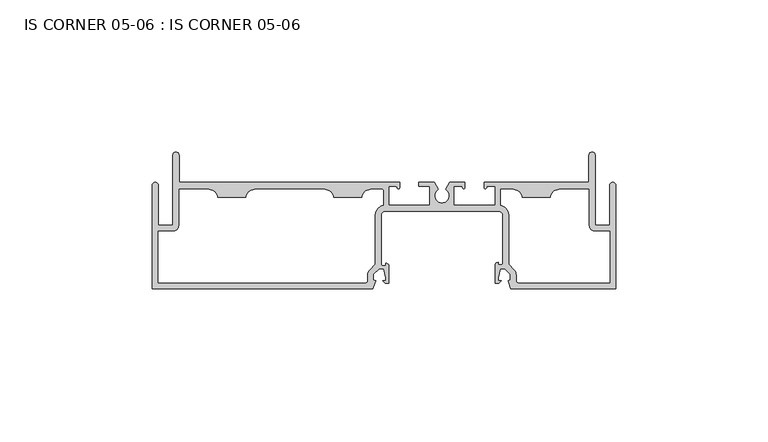
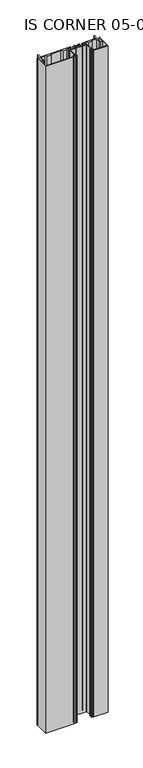
"""IFC4 building model written with IfcOpenShell, lengths in millimetres: plate geometry, IS CORNER 05-06 : IS CORNER 05-06."""

import ifcopenshell
import ifcopenshell.guid

model = None  # the IFC model being written
_history = None  # IfcOwnerHistory: only IFC2X3 demands one
_inside = {}  # id of a spatial element -> (the spatial element, [elements in it])
_under = {}  # id of a project, library or spatial element -> (it, [spatial elements below it])
_declared = {}  # id of a project -> (the project, [libraries it declares])
_typed = {}  # id of a type object -> (the type object, [elements of that type])
_made_of = {}  # id of a material, layer set ... -> (it, [elements and type objects made of it])


def new_model(schema):
    """Start an empty IFC model of exactly this schema.

    Asked for "IFC4X3", IfcOpenShell would pick the latest addendum, in which some entities
    have other attributes; the version numbers below select the first issue.
    IFC2X3 requires an IfcOwnerHistory on every rooted entity: one is made here for all.
    """
    global model, _history
    if schema == "IFC4X3":
        model = ifcopenshell.file(schema_version=(4, 3, 0, 0))
    else:
        model = ifcopenshell.file(schema=schema)
    _inside.clear()
    _under.clear()
    _declared.clear()
    _typed.clear()
    _made_of.clear()
    _history = None
    if model.schema == "IFC2X3":
        org = make("IfcOrganization", Name="unknown")
        user = make(
            "IfcPersonAndOrganization",
            ThePerson=make("IfcPerson", FamilyName="unknown"),
            TheOrganization=org,
        )
        app = make(
            "IfcApplication",
            ApplicationDeveloper=org,
            Version="unknown",
            ApplicationFullName="unknown",
            ApplicationIdentifier="unknown",
        )
        _history = make(
            "IfcOwnerHistory",
            OwningUser=user,
            OwningApplication=app,
            ChangeAction="ADDED",
            CreationDate=0,
        )
    return model


def make(cls, **values):
    """One entity of the class cls with the attributes given. An attribute that is None is left unset."""
    return model.create_entity(
        cls, **{name: value for name, value in values.items() if value is not None}
    )


def rooted(cls, **values):
    """An entity with a GlobalId (a new one), such as an element, a storey or a relation."""
    return make(cls, GlobalId=ifcopenshell.guid.new(), OwnerHistory=_history, **values)


def si_unit(unit_type, name, prefix=None):
    """IfcSIUnit, for example si_unit("LENGTHUNIT", "METRE", prefix="MILLI")."""
    return make("IfcSIUnit", UnitType=unit_type, Prefix=prefix, Name=name)


def assignment(units):
    """IfcUnitAssignment: the units of a project."""
    return None if units is None else make("IfcUnitAssignment", Units=units)


def point(xyz):
    """IfcCartesianPoint."""
    return None if xyz is None else make("IfcCartesianPoint", Coordinates=xyz)


def direction(xyz):
    """IfcDirection."""
    return None if xyz is None else make("IfcDirection", DirectionRatios=xyz)


def frame(location, z_axis=None, x_axis=None):
    """IfcAxis2Placement3D, a coordinate frame: its origin and axes. An axis left out is left unset."""
    return make(
        "IfcAxis2Placement3D",
        Location=point(location),
        Axis=direction(z_axis),
        RefDirection=direction(x_axis),
    )


def origin():
    """The frame at (0, 0, 0) with its axes left unset."""
    return frame((0.0, 0.0, 0.0))


def place(relative_to, where):
    """IfcLocalPlacement: puts the frame where relative to a parent placement (None: the world)."""
    return make(
        "IfcLocalPlacement", PlacementRelTo=relative_to, RelativePlacement=where
    )


def context(
    kind, dimensions, precision=None, world=None, true_north=None, identifier=None
):
    """IfcGeometricRepresentationContext, for example the 3D "Model" context."""
    return make(
        "IfcGeometricRepresentationContext",
        ContextIdentifier=identifier,
        ContextType=kind,
        CoordinateSpaceDimension=dimensions,
        Precision=precision,
        WorldCoordinateSystem=world,
        TrueNorth=true_north,
    )


def project(units=None, contexts=None):
    """IfcProject with its units and contexts."""
    return rooted(
        "IfcProject",
        Name="project",
        RepresentationContexts=contexts,
        UnitsInContext=assignment(units),
    )


def spatial(cls, under=None, at=None, **own):
    """A site, building, storey or space (cls), placed at a placement, below another one or the project."""
    s = rooted(cls, ObjectPlacement=at, **own)
    if under is not None:
        _under.setdefault(under.id(), (under, []))[1].append(s)
    return s


def polyline(points):
    """IfcPolyline through the points."""
    return make("IfcPolyline", Points=[point(p) for p in points])


def circle_curve(where, radius):
    """IfcCircle in the frame where."""
    return make("IfcCircle", Position=where, Radius=radius)


def shape(context_of_items, identifier, shape_type, items):
    """IfcShapeRepresentation: the items that make up one representation, for example the "Body"."""
    return make(
        "IfcShapeRepresentation",
        ContextOfItems=context_of_items,
        RepresentationIdentifier=identifier,
        RepresentationType=shape_type,
        Items=items,
    )


def source(mapping_origin, context_of_items, identifier, shape_type, items):
    """IfcRepresentationMap: a shape defined once, which mapped items show again and again."""
    return make(
        "IfcRepresentationMap",
        MappingOrigin=mapping_origin,
        MappedRepresentation=shape(context_of_items, identifier, shape_type, items),
    )


def transform(
    local_origin,
    x_axis=None,
    y_axis=None,
    z_axis=None,
    scale=None,
    scale2=None,
    scale3=None,
    uniform=True,
):
    """IfcCartesianTransformationOperator3D, or its non-uniform kind. x_axis, y_axis, z_axis: its Axis1, 2, 3."""
    if uniform:
        return make(
            "IfcCartesianTransformationOperator3D",
            Axis1=direction(x_axis),
            Axis2=direction(y_axis),
            LocalOrigin=point(local_origin),
            Scale=scale,
            Axis3=direction(z_axis),
        )
    return make(
        "IfcCartesianTransformationOperator3DnonUniform",
        Axis1=direction(x_axis),
        Axis2=direction(y_axis),
        LocalOrigin=point(local_origin),
        Scale=scale,
        Axis3=direction(z_axis),
        Scale2=scale2,
        Scale3=scale3,
    )


def mapped(mapping_source, mapping_target):
    """IfcMappedItem: shows the shape of a source again, moved by a transform."""
    return make(
        "IfcMappedItem", MappingSource=mapping_source, MappingTarget=mapping_target
    )


def made_of(thing, what):
    """Note that an element or type object is made of a material, layer set ...; save() writes the relation."""
    if what is not None:
        _made_of.setdefault(what.id(), (what, []))[1].append(thing)
    return thing


def element(
    cls,
    number,
    at=None,
    inside=None,
    cuts=None,
    type_object=None,
    material=None,
    context=None,
    identifier="Body",
    shape_type=None,
    held_by="IfcProductDefinitionShape",
    body=None,
    shapes=None,
    **own,
):
    """One element of the class cls, such as IfcWall. Its Tag is "e" and its number.

    at: its placement. inside: the storey or other place that contains it. cuts: it is an
    opening in that element (IfcRelVoidsElement). A single representation is given by context,
    identifier, shape_type and body (its items); several are given by shapes. held_by: the class
    of the entity that holds the representations. save() writes the other relations.
    """
    e = rooted(cls, Tag="e%d" % number, ObjectPlacement=at, **own)
    if body is not None:
        shapes = [shape(context, identifier, shape_type, body)]
    if shapes is not None:
        e.Representation = make(held_by, Representations=shapes)
    if inside is not None:
        _inside.setdefault(inside.id(), (inside, []))[1].append(e)
    if cuts is not None:
        rooted(
            "IfcRelVoidsElement", RelatingBuildingElement=cuts, RelatedOpeningElement=e
        )
    if type_object is not None:
        _typed.setdefault(type_object.id(), (type_object, []))[1].append(e)
    return made_of(e, material)


def aggregate(whole, parts):
    """IfcRelAggregates: a whole, such as a stair, and the parts it consists of."""
    return rooted("IfcRelAggregates", RelatingObject=whole, RelatedObjects=parts)


def save(model, path):
    """Write the relations noted so far, then the file.

    IfcRelAggregates (storeys below a building ...), IfcRelContainedInSpatialStructure (elements
    in a storey), IfcRelDefinesByType, IfcRelAssociatesMaterial and IfcRelDeclares: one each for
    every whole, place, type object, material and project.
    """
    for whole, parts in _under.values():
        aggregate(whole, parts)
    for where, things in _inside.values():
        rooted(
            "IfcRelContainedInSpatialStructure",
            RelatedElements=things,
            RelatingStructure=where,
        )
    for kind, things in _typed.values():
        rooted("IfcRelDefinesByType", RelatedObjects=things, RelatingType=kind)
    for what, things in _made_of.values():
        rooted("IfcRelAssociatesMaterial", RelatedObjects=things, RelatingMaterial=what)
    for by, libraries in _declared.values():
        rooted("IfcRelDeclares", RelatingContext=by, RelatedDefinitions=libraries)
    model.write(path)


def plane_surface(at):
    """IfcPlane: the flat surface through the origin of the frame at, square to its z axis."""
    return make("IfcPlane", Position=at)


def cylinder_surface(at, radius):
    """IfcCylindricalSurface: all points at the distance radius from the z axis of the frame at."""
    return make("IfcCylindricalSurface", Position=at, Radius=radius)


def revolved_surface(curve, axis_point, axis_direction):
    """IfcSurfaceOfRevolution: the curve turned about the line through axis_point along axis_direction."""
    return make(
        "IfcSurfaceOfRevolution",
        SweptCurve=make("IfcArbitraryOpenProfileDef", ProfileType="CURVE", Curve=curve),
        AxisPosition=make("IfcAxis1Placement", Location=point(axis_point), Axis=direction(axis_direction)),
    )


def extruded_surface(curve, direction_of_extrusion, depth):
    """IfcSurfaceOfLinearExtrusion: the curve pushed along a direction by depth."""
    return make(
        "IfcSurfaceOfLinearExtrusion",
        SweptCurve=make("IfcArbitraryOpenProfileDef", ProfileType="CURVE", Curve=curve),
        ExtrudedDirection=direction(direction_of_extrusion),
        Depth=depth,
    )


def spline_curve(degree, points, multiplicities, knots, weights=None):
    """IfcBSplineCurveWithKnots; with weights, IfcRationalBSplineCurveWithKnots."""
    own = dict(
        Degree=degree,
        ControlPointsList=[point(p) for p in points],
        CurveForm="UNSPECIFIED",
        ClosedCurve=False,
        SelfIntersect=False,
        KnotMultiplicities=multiplicities,
        Knots=knots,
        KnotSpec="UNSPECIFIED",
    )
    if weights is None:
        return make("IfcBSplineCurveWithKnots", **own)
    return make("IfcRationalBSplineCurveWithKnots", WeightsData=weights, **own)


def advanced_brep(points, edges, surfaces, faces):
    """IfcAdvancedBrep: a solid bounded by faces that lie on surfaces and meet in shared edges.

    An edge is (start, end): straight between two places in points (the first is 0);
    or (start, end, curve); or (start, end, curve, False) where it runs against its curve.
    A face is (place in surfaces, loops), or (place, loops, False) where it looks against
    its surface's normal. A loop lists edges by number (the first is 1), with a minus sign
    where the edge is run from its end to its start. The first loop is the outer one.
    """
    corners = [point(p) for p in points]
    vertices = [make("IfcVertexPoint", VertexGeometry=c) for c in corners]
    made = []
    for start, end, *more in edges:
        made.append(
            make(
                "IfcEdgeCurve",
                EdgeStart=vertices[start],
                EdgeEnd=vertices[end],
                EdgeGeometry=more[0] if more else make("IfcPolyline", Points=[corners[start], corners[end]]),
                SameSense=more[1] if len(more) > 1 else True,
            )
        )
    hull = []
    for where, loops, *sense in faces:
        bounds = []
        for j, loop in enumerate(loops):
            ring = [make("IfcOrientedEdge", EdgeElement=made[abs(k) - 1], Orientation=k > 0) for k in loop]
            bounds.append(
                make(
                    "IfcFaceOuterBound" if j == 0 else "IfcFaceBound",
                    Bound=make("IfcEdgeLoop", EdgeList=ring),
                    Orientation=True,
                )
            )
        hull.append(make("IfcAdvancedFace", Bounds=bounds, FaceSurface=surfaces[where], SameSense=sense[0] if sense else True))
    return make("IfcAdvancedBrep", Outer=make("IfcClosedShell", CfsFaces=hull))


def is_corner_05_06_is_corner_05_06_40ac7b21(model_context):
    return source(origin(), model_context, "Body", "AdvancedBrep", [
        advanced_brep(
        [(-311.15, -48.6387354, 1710.2666667), (-311.15, -82.5477354, 1710.2666667), (-238.5816997, -82.5477354, 1710.2666667), (-237.66653, -79.9442354, 1710.2666667), (-238.40313, -79.6853093, 1710.2666667), (-238.40313, -77.8598754, 1710.2666667), (-236.52353, -75.9818354, 1710.2666667), (-235.0494761, -75.9818354, 1710.2666667), (-234.3912, -78.9790354, 1710.2666667), (-234.3912, -79.9442354, 1710.2666667), (-235.334082, -79.9442354, 1710.2666667), (-234.5201094, -80.758208, 1710.2666667), (-233.3752, -80.758208, 1710.2666667), (-233.3752, -75.1183624, 1710.2666667), (-234.340527, -74.1530354, 1710.2666667), (-234.340527, -75.0094916, 1710.2666667), (-235.280327, -75.0094916, 1710.2666667), (-235.915327, -74.3744916, 1710.2666667), (-235.915327, -58.4177354, 1710.2666667), (-234.645327, -57.1477354, 1710.2666667), (-197.154673, -57.1477354, 1710.2666667), (-195.884673, -58.4177354, 1710.2666667), (-195.884673, -74.0768354, 1710.2666667), (-196.519673, -74.7118354, 1710.2666667), (-197.459473, -74.7118354, 1710.2666667), (-197.459473, -73.9297932, 1710.2666667), (-198.4248, -74.8951202, 1710.2666667), (-198.4248, -80.758208, 1710.2666667), (-197.2798906, -80.758208, 1710.2666667), (-196.465918, -79.9442354, 1710.2666667), (-197.4088, -79.9442354, 1710.2666667), (-197.4088, -78.9790354, 1710.2666667), (-196.7505239, -75.9818354, 1710.2666667), (-195.27647, -75.9818354, 1710.2666667), (-193.39687, -77.8598754, 1710.2666667), (-193.39687, -79.6853093, 1710.2666667), (-194.13347, -79.9442354, 1710.2666667), (-193.2183003, -82.5477354, 1710.2666667), (-158.75, -82.5477354, 1710.2666667), (-158.75, -48.6387354, 1710.2666667), (-160.782, -48.6387354, 1710.2666667), (-160.782, -61.6689354, 1710.2666667), (-165.5572, -61.6689354, 1710.2666667), (-165.5572, -38.6819354, 1710.2666667), (-167.5892, -38.6819354, 1710.2666667), (-167.5892, -47.6227354, 1710.2666667), (-202.0150943, -47.6227354, 1710.2666667), (-202.0150943, -49.2864354, 1710.2666667), (-201.0389561, -48.8927354, 1710.2666667), (-198.4375635, -48.8927354, 1710.2666667), (-198.4375635, -55.1157354, 1710.2666667), (-211.9503635, -55.1157354, 1710.2666667), (-211.9503635, -48.8927354, 1710.2666667), (-209.3451016, -48.8927354, 1710.2666667), (-208.3689635, -49.2864354, 1710.2666667), (-208.3689635, -47.6227354, 1710.2666667), (-213.3831033, -47.6227354, 1710.2666667), (-214.7062635, -49.9145161, 1710.2666667), (-217.1192635, -49.9145161, 1710.2666667), (-218.4424237, -47.6227354, 1710.2666667), (-223.4565635, -47.6227354, 1710.2666667), (-223.4565635, -48.8927354, 1710.2666667), (-219.8751635, -48.8927354, 1710.2666667), (-219.8751635, -55.1157354, 1710.2666667), (-233.3879635, -55.1157354, 1710.2666667), (-233.3879635, -48.8927354, 1710.2666667), (-231.2613166, -48.8927354, 1710.2666667), (-230.5939635, -49.2864354, 1710.2666667), (-229.8065635, -49.2864354, 1710.2666667), (-229.8065635, -47.6227354, 1710.2666667), (-301.8028, -47.6227354, 1710.2666667), (-302.3108, -47.1147354, 1710.2666667), (-302.3108, -38.6819354, 1710.2666667), (-304.3428, -38.6819354, 1710.2666667), (-304.3428, -61.6689354, 1710.2666667), (-309.118, -61.6689354, 1710.2666667), (-309.118, -48.6387354, 1710.2666667), (-302.3108, -49.9087354, 1710.2666667), (-292.5445, -49.9087354, 1710.2666667), (-289.7505, -52.7027354, 1710.2666667), (-280.2255, -52.7027354, 1710.2666667), (-277.4315, -49.9087354, 1710.2666667), (-254.4318, -49.9087354, 1710.2666667), (-251.6378, -52.7027354, 1710.2666667), (-242.1128, -52.7027354, 1710.2666667), (-239.3188, -49.9087354, 1710.2666667), (-235.6740905, -49.9087354, 1710.2666667), (-235.1660905, -50.4167354, 1710.2666667), (-235.1660905, -55.1570591, 1710.2666667), (-237.947327, -58.4177354, 1710.2666667), (-237.947327, -74.531961, 1710.2666667), (-239.6532007, -76.2364189, 1710.2666667), (-240.43513, -78.1230554, 1710.2666667), (-240.43513, -80.0077354, 1710.2666667), (-240.94313, -80.5157354, 1710.2666667), (-309.118, -80.5157354, 1710.2666667), (-309.118, -63.7009354, 1710.2666667), (-304.3428, -63.7009354, 1710.2666667), (-302.3108, -61.6689354, 1710.2666667), (-191.36487, -78.1230554, 1710.2666667), (-192.1467993, -76.2364189, 1710.2666667), (-193.852673, -74.531961, 1710.2666667), (-193.852673, -58.4177354, 1710.2666667), (-196.6594365, -55.1530846, 1710.2666667), (-196.6594365, -49.9087354, 1710.2666667), (-192.4812, -49.9087354, 1710.2666667), (-189.6872, -52.7027354, 1710.2666667), (-180.1622, -52.7027354, 1710.2666667), (-177.3682, -49.9087354, 1710.2666667), (-167.5892, -49.9087354, 1710.2666667), (-167.5892, -61.6689354, 1710.2666667), (-165.5572, -63.7009354, 1710.2666667), (-160.782, -63.7009354, 1710.2666667), (-160.782, -80.5157354, 1710.2666667), (-190.85687, -80.5157354, 1710.2666667), (-191.36487, -80.0077354, 1710.2666667), (-311.15, -48.6387354, 0.0), (-309.118, -48.6387354, 0.0), (-309.118, -61.6689354, 0.0), (-304.3428, -61.6689354, 0.0), (-304.3428, -38.6819354, 0.0), (-302.3108, -38.6819354, 0.0), (-302.3108, -47.1147354, 0.0), (-301.8028, -47.6227354, 0.0), (-229.8065635, -47.6227354, 0.0), (-229.8065635, -49.2864354, 0.0), (-230.5939635, -49.2864354, 0.0), (-231.2613166, -48.8927354, 0.0), (-233.3879635, -48.8927354, 0.0), (-233.3879635, -55.1157354, 0.0), (-219.8751635, -55.1157354, 0.0), (-219.8751635, -48.8927354, 0.0), (-223.4565635, -48.8927354, 0.0), (-223.4565635, -47.6227354, 0.0), (-218.4424237, -47.6227354, 0.0), (-217.1192635, -49.9145161, 0.0), (-214.7062635, -49.9145161, 0.0), (-213.3831033, -47.6227354, 0.0), (-208.3689635, -47.6227354, 0.0), (-208.3689635, -49.2864354, 0.0), (-209.3451016, -48.8927354, 0.0), (-211.9503635, -48.8927354, 0.0), (-211.9503635, -55.1157354, 0.0), (-198.4375635, -55.1157354, 0.0), (-198.4375635, -48.8927354, 0.0), (-201.0389561, -48.8927354, 0.0), (-202.0150943, -49.2864354, 0.0), (-202.0150943, -47.6227354, 0.0), (-167.5892, -47.6227354, 0.0), (-167.5892, -38.6819354, 0.0), (-165.5572, -38.6819354, 0.0), (-165.5572, -61.6689354, 0.0), (-160.782, -61.6689354, 0.0), (-160.782, -48.6387354, 0.0), (-158.75, -48.6387354, 0.0), (-158.75, -82.5477354, 0.0), (-193.2183003, -82.5477354, 0.0), (-194.13347, -79.9442354, 0.0), (-193.39687, -79.6853093, 0.0), (-193.39687, -77.8598754, 0.0), (-195.27647, -75.9818354, 0.0), (-196.7505239, -75.9818354, 0.0), (-197.4088, -78.9790354, 0.0), (-197.4088, -79.9442354, 0.0), (-196.465918, -79.9442354, 0.0), (-197.2798906, -80.758208, 0.0), (-198.4248, -80.758208, 0.0), (-198.4248, -74.8951202, 0.0), (-197.459473, -73.9297932, 0.0), (-197.459473, -74.7118354, 0.0), (-196.519673, -74.7118354, 0.0), (-195.884673, -74.0768354, 0.0), (-195.884673, -58.4177354, 0.0), (-197.154673, -57.1477354, 0.0), (-234.645327, -57.1477354, 0.0), (-235.915327, -58.4177354, 0.0), (-235.915327, -74.3744916, 0.0), (-235.280327, -75.0094916, 0.0), (-234.340527, -75.0094916, 0.0), (-234.340527, -74.1530354, 0.0), (-233.3752, -75.1183624, 0.0), (-233.3752, -80.758208, 0.0), (-234.5201094, -80.758208, 0.0), (-235.334082, -79.9442354, 0.0), (-234.3912, -79.9442354, 0.0), (-234.3912, -78.9790354, 0.0), (-235.0494761, -75.9818354, 0.0), (-236.52353, -75.9818354, 0.0), (-238.40313, -77.8598754, 0.0), (-238.40313, -79.6853093, 0.0), (-237.66653, -79.9442354, 0.0), (-238.5816997, -82.5477354, 0.0), (-311.15, -82.5477354, 0.0), (-302.3108, -49.9087354, 0.0), (-302.3108, -61.6689354, 0.0), (-304.3428, -63.7009354, 0.0), (-309.118, -63.7009354, 0.0), (-309.118, -80.5157354, 0.0), (-240.94313, -80.5157354, 0.0), (-240.43513, -80.0077354, 0.0), (-240.43513, -78.1230554, 0.0), (-239.6532007, -76.2364189, 0.0), (-237.947327, -74.531961, 0.0), (-237.947327, -58.4177354, 0.0), (-235.1660905, -55.1570591, 0.0), (-235.1660905, -50.4167354, 0.0), (-235.6740905, -49.9087354, 0.0), (-239.3188, -49.9087354, 0.0), (-242.1128, -52.7027354, 0.0), (-251.6378, -52.7027354, 0.0), (-254.4318, -49.9087354, 0.0), (-277.4315, -49.9087354, 0.0), (-280.2255, -52.7027354, 0.0), (-289.7505, -52.7027354, 0.0), (-292.5445, -49.9087354, 0.0), (-191.36487, -78.1230554, 0.0), (-191.36487, -80.0077354, 0.0), (-190.85687, -80.5157354, 0.0), (-160.782, -80.5157354, 0.0), (-160.782, -63.7009354, 0.0), (-165.5572, -63.7009354, 0.0), (-167.5892, -61.6689354, 0.0), (-167.5892, -49.9087354, 0.0), (-177.3682, -49.9087354, 0.0), (-180.1622, -52.7027354, 0.0), (-189.6872, -52.7027354, 0.0), (-192.4812, -49.9087354, 0.0), (-196.6594365, -49.9087354, 0.0), (-196.6594365, -55.1530846, 0.0), (-193.852673, -58.4177354, 0.0), (-193.852673, -74.531961, 0.0), (-192.1467993, -76.2364189, 0.0)],
        [
            (0, 1),
            (1, 2),
            (2, 3),
            (3, 4),
            (4, 5),
            (5, 6),
            (6, 7),
            (7, 8),
            (8, 9),
            (9, 10),
            (10, 11),
            (11, 12),
            (12, 13),
            (13, 14, circle_curve(frame((-234.340527, -75.1183624, 1710.2666667), z_axis=(0.0, 0.0, 1.0), x_axis=(0.0, 1.0, 0.0)), 0.965327)),
            (14, 15),
            (15, 16),
            (16, 17, circle_curve(frame((-235.280327, -74.3744916, 1710.2666667), z_axis=(0.0, 0.0, -1.0), x_axis=(0.0, 1.0, 0.0)), 0.635)),
            (17, 18),
            (18, 19, circle_curve(frame((-234.645327, -58.4177354, 1710.2666667), z_axis=(0.0, 0.0, -1.0), x_axis=(0.0, 1.0, 0.0)), 1.27)),
            (19, 20),
            (20, 21, circle_curve(frame((-197.154673, -58.4177354, 1710.2666667), z_axis=(0.0, 0.0, -1.0), x_axis=(0.0, 1.0, 0.0)), 1.27)),
            (21, 22),
            (22, 23, circle_curve(frame((-196.519673, -74.0768354, 1710.2666667), z_axis=(0.0, 0.0, -1.0), x_axis=(0.0, 1.0, 0.0)), 0.635)),
            (23, 24),
            (24, 25),
            (25, 26, circle_curve(frame((-197.459473, -74.8951202, 1710.2666667), z_axis=(0.0, 0.0, 1.0), x_axis=(0.0, 1.0, 0.0)), 0.965327)),
            (26, 27),
            (27, 28),
            (28, 29),
            (29, 30),
            (30, 31),
            (31, 32),
            (32, 33),
            (33, 34),
            (34, 35),
            (35, 36),
            (36, 37),
            (37, 38),
            (38, 39),
            (39, 40, circle_curve(frame((-159.766, -48.6387354, 1710.2666667), z_axis=(0.0, 0.0, 1.0), x_axis=(0.0, 1.0, 0.0)), 1.016)),
            (40, 41),
            (41, 42),
            (42, 43),
            (43, 44, circle_curve(frame((-166.5732, -38.6819354, 1710.2666667), z_axis=(0.0, 0.0, 1.0), x_axis=(0.0, 1.0, 0.0)), 1.016)),
            (44, 45),
            (45, 46),
            (46, 47),
            (47, 48, spline_curve(3, [(-202.0150943, -49.2864354, 1710.2666667), (-201.972813996, -49.526218919, 1710.2666667), (-201.94204095, -49.567379314, 1710.2666667), (-201.866589237, -49.635484998, 1710.2666667), (-201.823252066, -49.643126497, 1710.2666667), (-201.637267059, -49.658618103, 1710.2666667), (-201.458432178, -49.664984234, 1710.2666667), (-201.244721361, -49.451184395, 1710.2666667), (-201.24472135, -49.186598632, 1710.2666667), (-201.0389561, -48.8927354, 1710.2666667)], [4, 2, 2, 2, 4], [0.0, 0.0005581775979920252, 0.0014141886036385456, 0.002659292844354508, 0.004147214338502557])),
            (48, 49),
            (49, 50),
            (50, 51),
            (51, 52),
            (52, 53),
            (53, 54, spline_curve(3, [(-209.3451016, -48.8927354, 1710.2666667), (-209.13933635, -49.186598632, 1710.2666667), (-209.139336439, -49.451184395, 1710.2666667), (-208.925625622, -49.664984234, 1710.2666667), (-208.746790741, -49.658618103, 1710.2666667), (-208.560805734, -49.643126497, 1710.2666667), (-208.517468563, -49.635484998, 1710.2666667), (-208.44201685, -49.567379314, 1710.2666667), (-208.411243804, -49.526218919, 1710.2666667), (-208.3689635, -49.2864354, 1710.2666667)], [4, 2, 2, 2, 4], [0.0, 0.0014879214941480494, 0.0027330257348640117, 0.003589036740510532, 0.004147214338502557])),
            (54, 55),
            (55, 56),
            (56, 57),
            (57, 58, circle_curve(frame((-215.9127635, -52.0042354, 1710.2666667), z_axis=(0.0, 0.0, -1.0), x_axis=(0.0, 1.0, 0.0)), 2.413)),
            (58, 59),
            (59, 60),
            (60, 61),
            (61, 62),
            (62, 63),
            (63, 64),
            (64, 65),
            (65, 66),
            (66, 67, circle_curve(frame((-231.2613166, -49.6551939, 1710.2666667), z_axis=(0.0, 0.0, -1.0), x_axis=(0.0, 1.0, 0.0)), 0.7624585)),
            (67, 68, circle_curve(frame((-230.2002635, -49.2864354, 1710.2666667), z_axis=(0.0, 0.0, 1.0), x_axis=(0.0, 1.0, 0.0)), 0.3937)),
            (68, 69),
            (69, 70),
            (70, 71, circle_curve(frame((-301.8028, -47.1147354, 1710.2666667), z_axis=(0.0, 0.0, -1.0), x_axis=(0.0, 1.0, 0.0)), 0.508)),
            (71, 72),
            (72, 73, circle_curve(frame((-303.3268, -38.6819354, 1710.2666667), z_axis=(0.0, 0.0, 1.0), x_axis=(0.0, 1.0, 0.0)), 1.016)),
            (73, 74),
            (74, 75),
            (75, 76),
            (76, 0, circle_curve(frame((-310.134, -48.6387354, 1710.2666667), z_axis=(0.0, 0.0, 1.0), x_axis=(0.0, 1.0, 0.0)), 1.016)),
            (77, 78),
            (78, 79, circle_curve(frame((-292.5445, -52.7027354, 1710.2666667), z_axis=(0.0, 0.0, -1.0), x_axis=(0.0, 1.0, 0.0)), 2.794)),
            (79, 80),
            (80, 81, circle_curve(frame((-277.4315, -52.7027354, 1710.2666667), z_axis=(0.0, 0.0, -1.0), x_axis=(0.0, 1.0, 0.0)), 2.794)),
            (81, 82),
            (82, 83, circle_curve(frame((-254.4318, -52.7027354, 1710.2666667), z_axis=(0.0, 0.0, -1.0), x_axis=(0.0, 1.0, 0.0)), 2.794)),
            (83, 84),
            (84, 85, circle_curve(frame((-239.3188, -52.7027354, 1710.2666667), z_axis=(0.0, 0.0, -1.0), x_axis=(0.0, 1.0, 0.0)), 2.794)),
            (85, 86),
            (86, 87, circle_curve(frame((-235.6740905, -50.4167354, 1710.2666667), z_axis=(0.0, 0.0, -1.0), x_axis=(0.0, 1.0, 0.0)), 0.508)),
            (87, 88),
            (88, 89, circle_curve(frame((-234.645327, -58.4177354, 1710.2666667), z_axis=(0.0, 0.0, 1.0), x_axis=(0.0, 1.0, 0.0)), 3.302)),
            (89, 90),
            (90, 91),
            (91, 92, circle_curve(frame((-237.76813, -78.1230554, 1710.2666667), z_axis=(0.0, 0.0, 1.0), x_axis=(0.0, 1.0, 0.0)), 2.667)),
            (92, 93),
            (93, 94, circle_curve(frame((-240.94313, -80.0077354, 1710.2666667), z_axis=(0.0, 0.0, -1.0), x_axis=(0.0, 1.0, 0.0)), 0.508)),
            (94, 95),
            (95, 96),
            (96, 97),
            (97, 98, circle_curve(frame((-304.3428, -61.6689354, 1710.2666667), z_axis=(0.0, 0.0, 1.0), x_axis=(0.0, 1.0, 0.0)), 2.032)),
            (98, 77),
            (99, 100, circle_curve(frame((-194.03187, -78.1230554, 1710.2666667), z_axis=(0.0, 0.0, 1.0), x_axis=(0.0, 1.0, 0.0)), 2.667)),
            (100, 101),
            (101, 102),
            (102, 103, circle_curve(frame((-197.154673, -58.4177354, 1710.2666667), z_axis=(0.0, 0.0, 1.0), x_axis=(0.0, 1.0, 0.0)), 3.302)),
            (103, 104),
            (104, 105),
            (105, 106, circle_curve(frame((-192.4812, -52.7027354, 1710.2666667), z_axis=(0.0, 0.0, -1.0), x_axis=(0.0, 1.0, 0.0)), 2.794)),
            (106, 107),
            (107, 108, circle_curve(frame((-177.3682, -52.7027354, 1710.2666667), z_axis=(0.0, 0.0, -1.0), x_axis=(0.0, 1.0, 0.0)), 2.794)),
            (108, 109),
            (109, 110),
            (110, 111, circle_curve(frame((-165.5572, -61.6689354, 1710.2666667), z_axis=(0.0, 0.0, 1.0), x_axis=(0.0, 1.0, 0.0)), 2.032)),
            (111, 112),
            (112, 113),
            (113, 114),
            (114, 115, circle_curve(frame((-190.85687, -80.0077354, 1710.2666667), z_axis=(0.0, 0.0, -1.0), x_axis=(0.0, 1.0, 0.0)), 0.508)),
            (115, 99),
            (116, 117, circle_curve(frame((-310.134, -48.6387354, 0.0), z_axis=(0.0, 0.0, -1.0), x_axis=(0.0, 1.0, 0.0)), 1.016)),
            (117, 118),
            (118, 119),
            (119, 120),
            (120, 121, circle_curve(frame((-303.3268, -38.6819354, 0.0), z_axis=(0.0, 0.0, -1.0), x_axis=(0.0, 1.0, 0.0)), 1.016)),
            (121, 122),
            (122, 123, circle_curve(frame((-301.8028, -47.1147354, 0.0), z_axis=(0.0, 0.0, 1.0), x_axis=(0.0, 1.0, 0.0)), 0.508)),
            (123, 124),
            (124, 125),
            (125, 126, circle_curve(frame((-230.2002635, -49.2864354, 0.0), z_axis=(0.0, 0.0, -1.0), x_axis=(0.0, 1.0, 0.0)), 0.3937)),
            (126, 127, circle_curve(frame((-231.2613166, -49.6551939, 0.0), z_axis=(0.0, 0.0, 1.0), x_axis=(0.0, 1.0, 0.0)), 0.7624585)),
            (127, 128),
            (128, 129),
            (129, 130),
            (130, 131),
            (131, 132),
            (132, 133),
            (133, 134),
            (134, 135),
            (135, 136, circle_curve(frame((-215.9127635, -52.0042354, 0.0), z_axis=(0.0, 0.0, 1.0), x_axis=(0.0, 1.0, 0.0)), 2.413)),
            (136, 137),
            (137, 138),
            (138, 139),
            (139, 140, spline_curve(3, [(-208.3689635, -49.2864354, 0.0), (-208.411243804, -49.526218919, 0.0), (-208.44201685, -49.567379314, 0.0), (-208.517468563, -49.635484998, 0.0), (-208.560805734, -49.643126497, 0.0), (-208.746790741, -49.658618103, 0.0), (-208.925625622, -49.664984234, 0.0), (-209.139336439, -49.451184395, 0.0), (-209.13933635, -49.186598632, 0.0), (-209.3451016, -48.8927354, 0.0)], [4, 2, 2, 2, 4], [0.0, 0.0005581775979920252, 0.0014141886036385456, 0.002659292844354508, 0.004147214338502557])),
            (140, 141),
            (141, 142),
            (142, 143),
            (143, 144),
            (144, 145),
            (145, 146, spline_curve(3, [(-201.0389561, -48.8927354, 0.0), (-201.24472135, -49.186598632, 0.0), (-201.244721361, -49.451184395, 0.0), (-201.458432178, -49.664984234, 0.0), (-201.637267059, -49.658618103, 0.0), (-201.823252066, -49.643126497, 0.0), (-201.866589237, -49.635484998, 0.0), (-201.94204095, -49.567379314, 0.0), (-201.972813996, -49.526218919, 0.0), (-202.0150943, -49.2864354, 0.0)], [4, 2, 2, 2, 4], [0.0, 0.0014879214941480494, 0.0027330257348640117, 0.003589036740510532, 0.004147214338502557])),
            (146, 147),
            (147, 148),
            (148, 149),
            (149, 150, circle_curve(frame((-166.5732, -38.6819354, 0.0), z_axis=(0.0, 0.0, -1.0), x_axis=(0.0, 1.0, 0.0)), 1.016)),
            (150, 151),
            (151, 152),
            (152, 153),
            (153, 154, circle_curve(frame((-159.766, -48.6387354, 0.0), z_axis=(0.0, 0.0, -1.0), x_axis=(0.0, 1.0, 0.0)), 1.016)),
            (154, 155),
            (155, 156),
            (156, 157),
            (157, 158),
            (158, 159),
            (159, 160),
            (160, 161),
            (161, 162),
            (162, 163),
            (163, 164),
            (164, 165),
            (165, 166),
            (166, 167),
            (167, 168, circle_curve(frame((-197.459473, -74.8951202, 0.0), z_axis=(0.0, 0.0, -1.0), x_axis=(0.0, 1.0, 0.0)), 0.965327)),
            (168, 169),
            (169, 170),
            (170, 171, circle_curve(frame((-196.519673, -74.0768354, 0.0), z_axis=(0.0, 0.0, 1.0), x_axis=(0.0, 1.0, 0.0)), 0.635)),
            (171, 172),
            (172, 173, circle_curve(frame((-197.154673, -58.4177354, 0.0), z_axis=(0.0, 0.0, 1.0), x_axis=(0.0, 1.0, 0.0)), 1.27)),
            (173, 174),
            (174, 175, circle_curve(frame((-234.645327, -58.4177354, 0.0), z_axis=(0.0, 0.0, 1.0), x_axis=(0.0, 1.0, 0.0)), 1.27)),
            (175, 176),
            (176, 177, circle_curve(frame((-235.280327, -74.3744916, 0.0), z_axis=(0.0, 0.0, 1.0), x_axis=(0.0, 1.0, 0.0)), 0.635)),
            (177, 178),
            (178, 179),
            (179, 180, circle_curve(frame((-234.340527, -75.1183624, 0.0), z_axis=(0.0, 0.0, -1.0), x_axis=(0.0, 1.0, 0.0)), 0.965327)),
            (180, 181),
            (181, 182),
            (182, 183),
            (183, 184),
            (184, 185),
            (185, 186),
            (186, 187),
            (187, 188),
            (188, 189),
            (189, 190),
            (190, 191),
            (191, 192),
            (192, 116),
            (193, 194),
            (194, 195, circle_curve(frame((-304.3428, -61.6689354, 0.0), z_axis=(0.0, 0.0, -1.0), x_axis=(0.0, 1.0, 0.0)), 2.032)),
            (195, 196),
            (196, 197),
            (197, 198),
            (198, 199, circle_curve(frame((-240.94313, -80.0077354, 0.0), z_axis=(0.0, 0.0, 1.0), x_axis=(0.0, 1.0, 0.0)), 0.508)),
            (199, 200),
            (200, 201, circle_curve(frame((-237.76813, -78.1230554, 0.0), z_axis=(0.0, 0.0, -1.0), x_axis=(0.0, 1.0, 0.0)), 2.667)),
            (201, 202),
            (202, 203),
            (203, 204, circle_curve(frame((-234.645327, -58.4177354, 0.0), z_axis=(0.0, 0.0, -1.0), x_axis=(0.0, 1.0, 0.0)), 3.302)),
            (204, 205),
            (205, 206, circle_curve(frame((-235.6740905, -50.4167354, 0.0), z_axis=(0.0, 0.0, 1.0), x_axis=(0.0, 1.0, 0.0)), 0.508)),
            (206, 207),
            (207, 208, circle_curve(frame((-239.3188, -52.7027354, 0.0), z_axis=(0.0, 0.0, 1.0), x_axis=(0.0, 1.0, 0.0)), 2.794)),
            (208, 209),
            (209, 210, circle_curve(frame((-254.4318, -52.7027354, 0.0), z_axis=(0.0, 0.0, 1.0), x_axis=(0.0, 1.0, 0.0)), 2.794)),
            (210, 211),
            (211, 212, circle_curve(frame((-277.4315, -52.7027354, 0.0), z_axis=(0.0, 0.0, 1.0), x_axis=(0.0, 1.0, 0.0)), 2.794)),
            (212, 213),
            (213, 214, circle_curve(frame((-292.5445, -52.7027354, 0.0), z_axis=(0.0, 0.0, 1.0), x_axis=(0.0, 1.0, 0.0)), 2.794)),
            (214, 193),
            (215, 216),
            (216, 217, circle_curve(frame((-190.85687, -80.0077354, 0.0), z_axis=(0.0, 0.0, 1.0), x_axis=(0.0, 1.0, 0.0)), 0.508)),
            (217, 218),
            (218, 219),
            (219, 220),
            (220, 221, circle_curve(frame((-165.5572, -61.6689354, 0.0), z_axis=(0.0, 0.0, -1.0), x_axis=(0.0, 1.0, 0.0)), 2.032)),
            (221, 222),
            (222, 223),
            (223, 224, circle_curve(frame((-177.3682, -52.7027354, 0.0), z_axis=(0.0, 0.0, 1.0), x_axis=(0.0, 1.0, 0.0)), 2.794)),
            (224, 225),
            (225, 226, circle_curve(frame((-192.4812, -52.7027354, 0.0), z_axis=(0.0, 0.0, 1.0), x_axis=(0.0, 1.0, 0.0)), 2.794)),
            (226, 227),
            (227, 228),
            (228, 229, circle_curve(frame((-197.154673, -58.4177354, 0.0), z_axis=(0.0, 0.0, -1.0), x_axis=(0.0, 1.0, 0.0)), 3.302)),
            (229, 230),
            (230, 231),
            (231, 215, circle_curve(frame((-194.03187, -78.1230554, 0.0), z_axis=(0.0, 0.0, -1.0), x_axis=(0.0, 1.0, 0.0)), 2.667)),
            (76, 117),
            (116, 0),
            (75, 118),
            (74, 119),
            (73, 120),
            (72, 121),
            (71, 122),
            (70, 123),
            (69, 124),
            (68, 125),
            (67, 126),
            (66, 127),
            (65, 128),
            (64, 129),
            (63, 130),
            (62, 131),
            (61, 132),
            (60, 133),
            (59, 134),
            (58, 135),
            (57, 136),
            (56, 137),
            (55, 138),
            (54, 139),
            (53, 140),
            (52, 141),
            (51, 142),
            (50, 143),
            (49, 144),
            (48, 145),
            (47, 146),
            (46, 147),
            (45, 148),
            (44, 149),
            (43, 150),
            (42, 151),
            (41, 152),
            (40, 153),
            (39, 154),
            (38, 155),
            (37, 156),
            (36, 157),
            (35, 158),
            (34, 159),
            (33, 160),
            (32, 161),
            (31, 162),
            (30, 163),
            (29, 164),
            (28, 165),
            (27, 166),
            (26, 167),
            (25, 168),
            (24, 169),
            (23, 170),
            (22, 171),
            (21, 172),
            (20, 173),
            (19, 174),
            (18, 175),
            (17, 176),
            (16, 177),
            (15, 178),
            (14, 179),
            (13, 180),
            (12, 181),
            (11, 182),
            (10, 183),
            (9, 184),
            (8, 185),
            (7, 186),
            (6, 187),
            (5, 188),
            (4, 189),
            (3, 190),
            (2, 191),
            (1, 192),
            (98, 194),
            (193, 77),
            (97, 195),
            (96, 196),
            (95, 197),
            (94, 198),
            (93, 199),
            (92, 200),
            (91, 201),
            (90, 202),
            (89, 203),
            (88, 204),
            (87, 205),
            (86, 206),
            (85, 207),
            (84, 208),
            (83, 209),
            (82, 210),
            (81, 211),
            (80, 212),
            (79, 213),
            (78, 214),
            (115, 216),
            (215, 99),
            (114, 217),
            (113, 218),
            (112, 219),
            (111, 220),
            (110, 221),
            (109, 222),
            (108, 223),
            (107, 224),
            (106, 225),
            (105, 226),
            (104, 227),
            (103, 228),
            (102, 229),
            (101, 230),
            (100, 231),
        ],
        [
            plane_surface(frame((-203.2, 0.0, 1710.2666667), z_axis=(0.0, 0.0, 1.0), x_axis=(0.0, 1.0, 0.0))),
            plane_surface(frame((-203.2, 0.0, 0.0), z_axis=(0.0, 0.0, -1.0), x_axis=(0.0, 1.0, 0.0))),
            cylinder_surface(frame((-310.134, -48.6387354, 1710.2666667), z_axis=(0.0, 0.0, 1.0), x_axis=(0.0, 1.0, 0.0)), 1.016),
            plane_surface(frame((-309.118, -48.6387354, 1710.2666667), z_axis=(1.0, 0.0, 0.0), x_axis=(0.0, 0.0, -1.0))),
            plane_surface(frame((-309.118, -61.6689354, 1710.2666667), z_axis=(0.0, 1.0, 0.0), x_axis=(0.0, 0.0, -1.0))),
            plane_surface(frame((-304.3428, -61.6689354, 1710.2666667), z_axis=(-1.0, 0.0, 0.0), x_axis=(0.0, 0.0, -1.0))),
            cylinder_surface(frame((-303.3268, -38.6819354, 1710.2666667), z_axis=(0.0, 0.0, 1.0), x_axis=(0.0, 1.0, 0.0)), 1.016),
            plane_surface(frame((-302.3108, -38.6819354, 1710.2666667), z_axis=(1.0, 0.0, 0.0), x_axis=(0.0, 0.0, -1.0))),
            revolved_surface(polyline([(-301.8028, -46.6067354, 0.0), (-301.8028, -46.6067354, 1710.2666667)]), (-301.8028, -47.1147354, 1710.2666667), (0.0, 0.0, -1.0)),
            plane_surface(frame((-301.8028, -47.6227354, 1710.2666667), z_axis=(0.0, 1.0, 0.0), x_axis=(0.0, 0.0, -1.0))),
            plane_surface(frame((-229.8065635, -47.6227354, 1710.2666667), z_axis=(1.0, 0.0, 0.0), x_axis=(0.0, 0.0, -1.0))),
            cylinder_surface(frame((-230.2002635, -49.2864354, 1710.2666667), z_axis=(0.0, 0.0, 1.0), x_axis=(0.0, 1.0, 0.0)), 0.3937),
            revolved_surface(polyline([(-231.2613166, -48.8927354, 0.0), (-231.2613166, -48.8927354, 1710.2666667)]), (-231.2613166, -49.6551939, 1710.2666667), (0.0, 0.0, -1.0)),
            plane_surface(frame((-231.2613166, -48.8927354, 1710.2666667), z_axis=(0.0, -1.0, 0.0), x_axis=(0.0, 0.0, -1.0))),
            plane_surface(frame((-233.3879635, -48.8927354, 1710.2666667), z_axis=(1.0, 0.0, 0.0), x_axis=(0.0, 0.0, -1.0))),
            plane_surface(frame((-233.3879635, -55.1157354, 1710.2666667), z_axis=(0.0, 1.0, 0.0), x_axis=(0.0, 0.0, -1.0))),
            plane_surface(frame((-219.8751635, -55.1157354, 1710.2666667), z_axis=(-1.0, 0.0, 0.0), x_axis=(0.0, 0.0, -1.0))),
            plane_surface(frame((-219.8751635, -48.8927354, 1710.2666667), z_axis=(0.0, -1.0, 0.0), x_axis=(0.0, 0.0, -1.0))),
            plane_surface(frame((-223.4565635, -48.8927354, 1710.2666667), z_axis=(-1.0, 0.0, 0.0), x_axis=(0.0, 0.0, -1.0))),
            plane_surface(frame((-223.4565635, -47.6227354, 1710.2666667), z_axis=(0.0, 1.0, 0.0), x_axis=(0.0, 0.0, -1.0))),
            plane_surface(frame((-218.4424237, -47.6227354, 1710.2666667), z_axis=(0.8660254037843969, 0.5000000000000726, 0.0), x_axis=(0.0, 0.0, -1.0))),
            revolved_surface(polyline([(-215.9127635, -49.5912354, 0.0), (-215.9127635, -49.5912354, 1710.2666667)]), (-215.9127635, -52.0042354, 1710.2666667), (0.0, 0.0, -1.0)),
            plane_surface(frame((-214.7062635, -49.9145161, 1710.2666667), z_axis=(-0.8660254037845088, 0.4999999999998786, 0.0), x_axis=(0.0, 0.0, -1.0))),
            plane_surface(frame((-213.3831033, -47.6227354, 1710.2666667), z_axis=(0.0, 1.0, 0.0), x_axis=(0.0, 0.0, -1.0))),
            plane_surface(frame((-208.3689635, -47.6227354, 1710.2666667), z_axis=(1.0, 0.0, 0.0), x_axis=(0.0, 0.0, -1.0))),
            extruded_surface(spline_curve(3, [(-208.3689635, -49.2864354, 1710.2666667), (-208.411243804, -49.526218919, 1710.2666667), (-208.44201685, -49.567379314, 1710.2666667), (-208.517468563, -49.635484998, 1710.2666667), (-208.560805734, -49.643126497, 1710.2666667), (-208.746790741, -49.658618103, 1710.2666667), (-208.925625622, -49.664984234, 1710.2666667), (-209.139336439, -49.451184395, 1710.2666667), (-209.13933635, -49.186598632, 1710.2666667), (-209.3451016, -48.8927354, 1710.2666667)], [4, 2, 2, 2, 4], [0.0, 0.0005581775979920252, 0.0014141886036385456, 0.002659292844354508, 0.004147214338502557]), (0.0, 0.0, -1710.2666667), 1710.2666667),
            plane_surface(frame((-209.3451016, -48.8927354, 1710.2666667), z_axis=(0.0, -1.0, 0.0), x_axis=(0.0, 0.0, -1.0))),
            plane_surface(frame((-211.9503635, -48.8927354, 1710.2666667), z_axis=(1.0, 0.0, 0.0), x_axis=(0.0, 0.0, -1.0))),
            plane_surface(frame((-211.9503635, -55.1157354, 1710.2666667), z_axis=(0.0, 1.0, 0.0), x_axis=(0.0, 0.0, -1.0))),
            plane_surface(frame((-198.4375635, -55.1157354, 1710.2666667), z_axis=(-1.0, 0.0, 0.0), x_axis=(0.0, 0.0, -1.0))),
            plane_surface(frame((-198.4375635, -48.8927354, 1710.2666667), z_axis=(0.0, -1.0, 0.0), x_axis=(0.0, 0.0, -1.0))),
            extruded_surface(spline_curve(3, [(-201.0389561, -48.8927354, 1710.2666667), (-201.24472135, -49.186598632, 1710.2666667), (-201.244721361, -49.451184395, 1710.2666667), (-201.458432178, -49.664984234, 1710.2666667), (-201.637267059, -49.658618103, 1710.2666667), (-201.823252066, -49.643126497, 1710.2666667), (-201.866589237, -49.635484998, 1710.2666667), (-201.94204095, -49.567379314, 1710.2666667), (-201.972813996, -49.526218919, 1710.2666667), (-202.0150943, -49.2864354, 1710.2666667)], [4, 2, 2, 2, 4], [0.0, 0.0014879214941480494, 0.0027330257348640117, 0.003589036740510532, 0.004147214338502557]), (0.0, 0.0, -1710.2666667), 1710.2666667),
            plane_surface(frame((-202.0150943, -49.2864354, 1710.2666667), z_axis=(-1.0, 0.0, 0.0), x_axis=(0.0, 0.0, -1.0))),
            plane_surface(frame((-202.0150943, -47.6227354, 1710.2666667), z_axis=(0.0, 1.0, 0.0), x_axis=(0.0, 0.0, -1.0))),
            plane_surface(frame((-167.5892, -47.6227354, 1710.2666667), z_axis=(-1.0, 0.0, 0.0), x_axis=(0.0, 0.0, -1.0))),
            cylinder_surface(frame((-166.5732, -38.6819354, 1710.2666667), z_axis=(0.0, 0.0, 1.0), x_axis=(0.0, 1.0, 0.0)), 1.016),
            plane_surface(frame((-165.5572, -38.6819354, 1710.2666667), z_axis=(1.0, 0.0, 0.0), x_axis=(0.0, 0.0, -1.0))),
            plane_surface(frame((-165.5572, -61.6689354, 1710.2666667), z_axis=(0.0, 1.0, 0.0), x_axis=(0.0, 0.0, -1.0))),
            plane_surface(frame((-160.782, -61.6689354, 1710.2666667), z_axis=(-1.0, 0.0, 0.0), x_axis=(0.0, 0.0, -1.0))),
            cylinder_surface(frame((-159.766, -48.6387354, 1710.2666667), z_axis=(0.0, 0.0, 1.0), x_axis=(0.0, 1.0, 0.0)), 1.016),
            plane_surface(frame((-158.75, -48.6387354, 1710.2666667), z_axis=(1.0, 0.0, 0.0), x_axis=(0.0, 0.0, -1.0))),
            plane_surface(frame((-158.75, -82.5477354, 1710.2666667), z_axis=(0.0, -1.0, 0.0), x_axis=(0.0, 0.0, -1.0))),
            plane_surface(frame((-193.2183003, -82.5477354, 1710.2666667), z_axis=(-0.943411801006054, -0.3316235421717123, 0.0), x_axis=(0.0, 0.0, -1.0))),
            plane_surface(frame((-194.13347, -79.9442354, 1710.2666667), z_axis=(-0.3316235421718224, 0.9434118010060154, 0.0), x_axis=(0.0, 0.0, -1.0))),
            plane_surface(frame((-193.39687, -79.6853093, 1710.2666667), z_axis=(-1.0, 0.0, 0.0), x_axis=(0.0, 0.0, -1.0))),
            plane_surface(frame((-193.39687, -77.8598754, 1710.2666667), z_axis=(-0.7068131672088492, -0.7074002732966642, 0.0), x_axis=(0.0, 0.0, -1.0))),
            plane_surface(frame((-195.27647, -75.9818354, 1710.2666667), z_axis=(0.0, -1.0, 0.0), x_axis=(0.0, 0.0, -1.0))),
            plane_surface(frame((-196.7505239, -75.9818354, 1710.2666667), z_axis=(0.9767201702081777, -0.21451738649468113, 0.0), x_axis=(0.0, 0.0, -1.0))),
            plane_surface(frame((-197.4088, -78.9790354, 1710.2666667), z_axis=(1.0, 0.0, 0.0), x_axis=(0.0, 0.0, -1.0))),
            plane_surface(frame((-197.4088, -79.9442354, 1710.2666667), z_axis=(0.0, 1.0, 0.0), x_axis=(0.0, 0.0, -1.0))),
            plane_surface(frame((-196.465918, -79.9442354, 1710.2666667), z_axis=(0.7071067811865401, -0.7071067811865549, 0.0), x_axis=(0.0, 0.0, -1.0))),
            plane_surface(frame((-197.2798906, -80.758208, 1710.2666667), z_axis=(0.0, -1.0, 0.0), x_axis=(0.0, 0.0, -1.0))),
            plane_surface(frame((-198.4248, -80.758208, 1710.2666667), z_axis=(-1.0, 0.0, 0.0), x_axis=(0.0, 0.0, -1.0))),
            cylinder_surface(frame((-197.459473, -74.8951202, 1710.2666667), z_axis=(0.0, 0.0, 1.0), x_axis=(0.0, 1.0, 0.0)), 0.965327),
            plane_surface(frame((-197.459473, -73.9297932, 1710.2666667), z_axis=(1.0, 0.0, 0.0), x_axis=(0.0, 0.0, -1.0))),
            plane_surface(frame((-197.459473, -74.7118354, 1710.2666667), z_axis=(0.0, 1.0, 0.0), x_axis=(0.0, 0.0, -1.0))),
            revolved_surface(polyline([(-196.519673, -73.44183539999999, 0.0), (-196.519673, -73.44183539999999, 1710.2666667)]), (-196.519673, -74.0768354, 1710.2666667), (0.0, 0.0, -1.0)),
            plane_surface(frame((-195.884673, -74.0768354, 1710.2666667), z_axis=(-1.0, 0.0, 0.0), x_axis=(0.0, 0.0, -1.0))),
            revolved_surface(polyline([(-197.154673, -57.147735399999995, 0.0), (-197.154673, -57.147735399999995, 1710.2666667)]), (-197.154673, -58.4177354, 1710.2666667), (0.0, 0.0, -1.0)),
            plane_surface(frame((-197.154673, -57.1477354, 1710.2666667), z_axis=(0.0, -1.0, 0.0), x_axis=(0.0, 0.0, -1.0))),
            revolved_surface(polyline([(-234.645327, -57.147735399999995, 0.0), (-234.645327, -57.147735399999995, 1710.2666667)]), (-234.645327, -58.4177354, 1710.2666667), (0.0, 0.0, -1.0)),
            plane_surface(frame((-235.915327, -58.4177354, 1710.2666667), z_axis=(1.0, 0.0, 0.0), x_axis=(0.0, 0.0, -1.0))),
            revolved_surface(polyline([(-235.280327, -73.7394916, 0.0), (-235.280327, -73.7394916, 1710.2666667)]), (-235.280327, -74.3744916, 1710.2666667), (0.0, 0.0, -1.0)),
            plane_surface(frame((-235.280327, -75.0094916, 1710.2666667), z_axis=(0.0, 1.0, 0.0), x_axis=(0.0, 0.0, -1.0))),
            plane_surface(frame((-234.340527, -75.0094916, 1710.2666667), z_axis=(-1.0, 0.0, 0.0), x_axis=(0.0, 0.0, -1.0))),
            cylinder_surface(frame((-234.340527, -75.1183624, 1710.2666667), z_axis=(0.0, 0.0, 1.0), x_axis=(0.0, 1.0, 0.0)), 0.965327),
            plane_surface(frame((-233.3752, -75.1183624, 1710.2666667), z_axis=(1.0, 0.0, 0.0), x_axis=(0.0, 0.0, -1.0))),
            plane_surface(frame((-233.3752, -80.758208, 1710.2666667), z_axis=(0.0, -1.0, 0.0), x_axis=(0.0, 0.0, -1.0))),
            plane_surface(frame((-234.5201094, -80.758208, 1710.2666667), z_axis=(-0.7071067811865401, -0.7071067811865549, 0.0), x_axis=(0.0, 0.0, -1.0))),
            plane_surface(frame((-235.334082, -79.9442354, 1710.2666667), z_axis=(0.0, 1.0, 0.0), x_axis=(0.0, 0.0, -1.0))),
            plane_surface(frame((-234.3912, -79.9442354, 1710.2666667), z_axis=(-1.0, 0.0, 0.0), x_axis=(0.0, 0.0, -1.0))),
            plane_surface(frame((-234.3912, -78.9790354, 1710.2666667), z_axis=(-0.9767201702081754, -0.21451738649469212, 0.0), x_axis=(0.0, 0.0, -1.0))),
            plane_surface(frame((-235.0494761, -75.9818354, 1710.2666667), z_axis=(0.0, -1.0, 0.0), x_axis=(0.0, 0.0, -1.0))),
            plane_surface(frame((-236.52353, -75.9818354, 1710.2666667), z_axis=(0.7068131672087202, -0.7074002732967932, 0.0), x_axis=(0.0, 0.0, -1.0))),
            plane_surface(frame((-238.40313, -77.8598754, 1710.2666667), z_axis=(1.0, 0.0, 0.0), x_axis=(0.0, 0.0, -1.0))),
            plane_surface(frame((-238.40313, -79.6853093, 1710.2666667), z_axis=(0.33162354217180307, 0.9434118010060222, 0.0), x_axis=(0.0, 0.0, -1.0))),
            plane_surface(frame((-237.66653, -79.9442354, 1710.2666667), z_axis=(0.9434118010060351, -0.3316235421717665, 0.0), x_axis=(0.0, 0.0, -1.0))),
            plane_surface(frame((-238.5816997, -82.5477354, 1710.2666667), z_axis=(0.0, -1.0, 0.0), x_axis=(0.0, 0.0, -1.0))),
            plane_surface(frame((-311.15, -82.5477354, 1710.2666667), z_axis=(-1.0, 0.0, 0.0), x_axis=(0.0, 0.0, -1.0))),
            plane_surface(frame((-302.3108, -49.9087354, 1710.2666667), z_axis=(1.0, 0.0, 0.0), x_axis=(0.0, 0.0, -1.0))),
            cylinder_surface(frame((-304.3428, -61.6689354, 1710.2666667), z_axis=(0.0, 0.0, 1.0), x_axis=(0.0, 1.0, 0.0)), 2.032),
            plane_surface(frame((-304.3428, -63.7009354, 1710.2666667), z_axis=(0.0, -1.0, 0.0), x_axis=(0.0, 0.0, -1.0))),
            plane_surface(frame((-309.118, -63.7009354, 1710.2666667), z_axis=(1.0, 0.0, 0.0), x_axis=(0.0, 0.0, -1.0))),
            plane_surface(frame((-309.118, -80.5157354, 1710.2666667), z_axis=(0.0, 1.0, 0.0), x_axis=(0.0, 0.0, -1.0))),
            revolved_surface(polyline([(-240.94313, -79.4997354, 0.0), (-240.94313, -79.4997354, 1710.2666667)]), (-240.94313, -80.0077354, 1710.2666667), (0.0, 0.0, -1.0)),
            plane_surface(frame((-240.43513, -80.0077354, 1710.2666667), z_axis=(-1.0, 0.0, 0.0), x_axis=(0.0, 0.0, -1.0))),
            cylinder_surface(frame((-237.76813, -78.1230554, 1710.2666667), z_axis=(0.0, 0.0, 1.0), x_axis=(0.0, 1.0, 0.0)), 2.667),
            plane_surface(frame((-239.6532007, -76.2364189, 1710.2666667), z_axis=(-0.7068131672088002, 0.7074002732967133, 0.0), x_axis=(0.0, 0.0, -1.0))),
            plane_surface(frame((-237.947327, -74.531961, 1710.2666667), z_axis=(-1.0, 0.0, 0.0), x_axis=(0.0, 0.0, -1.0))),
            cylinder_surface(frame((-234.645327, -58.4177354, 1710.2666667), z_axis=(0.0, 0.0, 1.0), x_axis=(0.0, 1.0, 0.0)), 3.302),
            plane_surface(frame((-235.1660905, -55.1570591, 1710.2666667), z_axis=(-1.0, 0.0, 0.0), x_axis=(0.0, 0.0, -1.0))),
            revolved_surface(polyline([(-235.6740905, -49.9087354, 0.0), (-235.6740905, -49.9087354, 1710.2666667)]), (-235.6740905, -50.4167354, 1710.2666667), (0.0, 0.0, -1.0)),
            plane_surface(frame((-235.6740905, -49.9087354, 1710.2666667), z_axis=(0.0, -1.0, 0.0), x_axis=(0.0, 0.0, -1.0))),
            revolved_surface(polyline([(-239.3188, -49.908735400000005, 0.0), (-239.3188, -49.908735400000005, 1710.2666667)]), (-239.3188, -52.7027354, 1710.2666667), (0.0, 0.0, -1.0)),
            plane_surface(frame((-242.1128, -52.7027354, 1710.2666667), z_axis=(0.0, -1.0, 0.0), x_axis=(0.0, 0.0, -1.0))),
            revolved_surface(polyline([(-254.4318, -49.908735400000005, 0.0), (-254.4318, -49.908735400000005, 1710.2666667)]), (-254.4318, -52.7027354, 1710.2666667), (0.0, 0.0, -1.0)),
            plane_surface(frame((-254.4318, -49.9087354, 1710.2666667), z_axis=(0.0, -1.0, 0.0), x_axis=(0.0, 0.0, -1.0))),
            revolved_surface(polyline([(-277.4315, -49.908735400000005, 0.0), (-277.4315, -49.908735400000005, 1710.2666667)]), (-277.4315, -52.7027354, 1710.2666667), (0.0, 0.0, -1.0)),
            plane_surface(frame((-280.2255, -52.7027354, 1710.2666667), z_axis=(0.0, -1.0, 0.0), x_axis=(0.0, 0.0, -1.0))),
            revolved_surface(polyline([(-292.5445, -49.908735400000005, 0.0), (-292.5445, -49.908735400000005, 1710.2666667)]), (-292.5445, -52.7027354, 1710.2666667), (0.0, 0.0, -1.0)),
            plane_surface(frame((-292.5445, -49.9087354, 1710.2666667), z_axis=(0.0, -1.0, 0.0), x_axis=(0.0, 0.0, -1.0))),
            plane_surface(frame((-191.36487, -78.1230554, 1710.2666667), z_axis=(1.0, 0.0, 0.0), x_axis=(0.0, 0.0, -1.0))),
            revolved_surface(polyline([(-190.85687, -79.4997354, 0.0), (-190.85687, -79.4997354, 1710.2666667)]), (-190.85687, -80.0077354, 1710.2666667), (0.0, 0.0, -1.0)),
            plane_surface(frame((-190.85687, -80.5157354, 1710.2666667), z_axis=(0.0, 1.0, 0.0), x_axis=(0.0, 0.0, -1.0))),
            plane_surface(frame((-160.782, -80.5157354, 1710.2666667), z_axis=(-1.0, 0.0, 0.0), x_axis=(0.0, 0.0, -1.0))),
            plane_surface(frame((-160.782, -63.7009354, 1710.2666667), z_axis=(0.0, -1.0, 0.0), x_axis=(0.0, 0.0, -1.0))),
            cylinder_surface(frame((-165.5572, -61.6689354, 1710.2666667), z_axis=(0.0, 0.0, 1.0), x_axis=(0.0, 1.0, 0.0)), 2.032),
            plane_surface(frame((-167.5892, -61.6689354, 1710.2666667), z_axis=(-1.0, 0.0, 0.0), x_axis=(0.0, 0.0, -1.0))),
            plane_surface(frame((-167.5892, -49.9087354, 1710.2666667), z_axis=(0.0, -1.0, 0.0), x_axis=(0.0, 0.0, -1.0))),
            revolved_surface(polyline([(-177.3682, -49.908735400000005, 0.0), (-177.3682, -49.908735400000005, 1710.2666667)]), (-177.3682, -52.7027354, 1710.2666667), (0.0, 0.0, -1.0)),
            plane_surface(frame((-180.1622, -52.7027354, 1710.2666667), z_axis=(0.0, -1.0, 0.0), x_axis=(0.0, 0.0, -1.0))),
            revolved_surface(polyline([(-192.4812, -49.908735400000005, 0.0), (-192.4812, -49.908735400000005, 1710.2666667)]), (-192.4812, -52.7027354, 1710.2666667), (0.0, 0.0, -1.0)),
            plane_surface(frame((-192.4812, -49.9087354, 1710.2666667), z_axis=(0.0, -1.0, 0.0), x_axis=(0.0, 0.0, -1.0))),
            plane_surface(frame((-196.6594365, -49.9087354, 1710.2666667), z_axis=(1.0, 0.0, 0.0), x_axis=(0.0, 0.0, -1.0))),
            cylinder_surface(frame((-197.154673, -58.4177354, 1710.2666667), z_axis=(0.0, 0.0, 1.0), x_axis=(0.0, 1.0, 0.0)), 3.302),
            plane_surface(frame((-193.852673, -58.4177354, 1710.2666667), z_axis=(1.0, 0.0, 0.0), x_axis=(0.0, 0.0, -1.0))),
            plane_surface(frame((-193.852673, -74.531961, 1710.2666667), z_axis=(0.7068131672088914, 0.7074002732966221, 0.0), x_axis=(0.0, 0.0, -1.0))),
            cylinder_surface(frame((-194.03187, -78.1230554, 1710.2666667), z_axis=(0.0, 0.0, 1.0), x_axis=(0.0, 1.0, 0.0)), 2.667),
        ],
        [
            (0, [[1, 2, 3, 4, 5, 6, 7, 8, 9, 10, 11, 12, 13, 14, 15, 16, 17, 18, 19, 20, 21, 22, 23, 24, 25, 26, 27, 28, 29, 30, 31, 32, 33, 34, 35, 36, 37, 38, 39, 40, 41, 42, 43, 44, 45, 46, 47, 48, 49, 50, 51, 52, 53, 54, 55, 56, 57, 58, 59, 60, 61, 62, 63, 64, 65, 66, 67, 68, 69, 70, 71, 72, 73, 74, 75, 76, 77], [78, 79, 80, 81, 82, 83, 84, 85, 86, 87, 88, 89, 90, 91, 92, 93, 94, 95, 96, 97, 98, 99], [100, 101, 102, 103, 104, 105, 106, 107, 108, 109, 110, 111, 112, 113, 114, 115, 116]]),
            (1, [[117, 118, 119, 120, 121, 122, 123, 124, 125, 126, 127, 128, 129, 130, 131, 132, 133, 134, 135, 136, 137, 138, 139, 140, 141, 142, 143, 144, 145, 146, 147, 148, 149, 150, 151, 152, 153, 154, 155, 156, 157, 158, 159, 160, 161, 162, 163, 164, 165, 166, 167, 168, 169, 170, 171, 172, 173, 174, 175, 176, 177, 178, 179, 180, 181, 182, 183, 184, 185, 186, 187, 188, 189, 190, 191, 192, 193], [194, 195, 196, 197, 198, 199, 200, 201, 202, 203, 204, 205, 206, 207, 208, 209, 210, 211, 212, 213, 214, 215], [216, 217, 218, 219, 220, 221, 222, 223, 224, 225, 226, 227, 228, 229, 230, 231, 232]]),
            (2, [[233, -117, 234, -77]]),
            (3, [[235, -118, -233, -76]]),
            (4, [[236, -119, -235, -75]]),
            (5, [[237, -120, -236, -74]]),
            (6, [[238, -121, -237, -73]]),
            (7, [[239, -122, -238, -72]]),
            (8, [[240, -123, -239, -71]]),
            (9, [[241, -124, -240, -70]]),
            (10, [[242, -125, -241, -69]]),
            (11, [[243, -126, -242, -68]]),
            (12, [[244, -127, -243, -67]]),
            (13, [[245, -128, -244, -66]]),
            (14, [[246, -129, -245, -65]]),
            (15, [[247, -130, -246, -64]]),
            (16, [[248, -131, -247, -63]]),
            (17, [[249, -132, -248, -62]]),
            (18, [[250, -133, -249, -61]]),
            (19, [[251, -134, -250, -60]]),
            (20, [[252, -135, -251, -59]]),
            (21, [[253, -136, -252, -58]]),
            (22, [[254, -137, -253, -57]]),
            (23, [[255, -138, -254, -56]]),
            (24, [[256, -139, -255, -55]]),
            (25, [[257, -140, -256, -54]]),
            (26, [[258, -141, -257, -53]]),
            (27, [[259, -142, -258, -52]]),
            (28, [[260, -143, -259, -51]]),
            (29, [[261, -144, -260, -50]]),
            (30, [[262, -145, -261, -49]]),
            (31, [[263, -146, -262, -48]]),
            (32, [[264, -147, -263, -47]]),
            (33, [[265, -148, -264, -46]]),
            (34, [[266, -149, -265, -45]]),
            (35, [[267, -150, -266, -44]]),
            (36, [[268, -151, -267, -43]]),
            (37, [[269, -152, -268, -42]]),
            (38, [[270, -153, -269, -41]]),
            (39, [[271, -154, -270, -40]]),
            (40, [[272, -155, -271, -39]]),
            (41, [[273, -156, -272, -38]]),
            (42, [[274, -157, -273, -37]]),
            (43, [[275, -158, -274, -36]]),
            (44, [[276, -159, -275, -35]]),
            (45, [[277, -160, -276, -34]]),
            (46, [[278, -161, -277, -33]]),
            (47, [[279, -162, -278, -32]]),
            (48, [[280, -163, -279, -31]]),
            (49, [[281, -164, -280, -30]]),
            (50, [[282, -165, -281, -29]]),
            (51, [[283, -166, -282, -28]]),
            (52, [[284, -167, -283, -27]]),
            (53, [[285, -168, -284, -26]]),
            (54, [[286, -169, -285, -25]]),
            (55, [[287, -170, -286, -24]]),
            (56, [[288, -171, -287, -23]]),
            (57, [[289, -172, -288, -22]]),
            (58, [[290, -173, -289, -21]]),
            (59, [[291, -174, -290, -20]]),
            (60, [[292, -175, -291, -19]]),
            (61, [[293, -176, -292, -18]]),
            (62, [[294, -177, -293, -17]]),
            (63, [[295, -178, -294, -16]]),
            (64, [[296, -179, -295, -15]]),
            (65, [[297, -180, -296, -14]]),
            (66, [[298, -181, -297, -13]]),
            (67, [[299, -182, -298, -12]]),
            (68, [[300, -183, -299, -11]]),
            (69, [[301, -184, -300, -10]]),
            (70, [[302, -185, -301, -9]]),
            (71, [[303, -186, -302, -8]]),
            (72, [[304, -187, -303, -7]]),
            (73, [[305, -188, -304, -6]]),
            (74, [[306, -189, -305, -5]]),
            (75, [[307, -190, -306, -4]]),
            (76, [[308, -191, -307, -3]]),
            (77, [[309, -192, -308, -2]]),
            (78, [[-234, -193, -309, -1]]),
            (79, [[310, -194, 311, -99]]),
            (80, [[312, -195, -310, -98]]),
            (81, [[313, -196, -312, -97]]),
            (82, [[314, -197, -313, -96]]),
            (83, [[315, -198, -314, -95]]),
            (84, [[316, -199, -315, -94]]),
            (85, [[317, -200, -316, -93]]),
            (86, [[318, -201, -317, -92]]),
            (87, [[319, -202, -318, -91]]),
            (88, [[320, -203, -319, -90]]),
            (89, [[321, -204, -320, -89]]),
            (90, [[322, -205, -321, -88]]),
            (91, [[323, -206, -322, -87]]),
            (92, [[324, -207, -323, -86]]),
            (93, [[325, -208, -324, -85]]),
            (94, [[326, -209, -325, -84]]),
            (95, [[327, -210, -326, -83]]),
            (96, [[328, -211, -327, -82]]),
            (97, [[329, -212, -328, -81]]),
            (98, [[330, -213, -329, -80]]),
            (99, [[331, -214, -330, -79]]),
            (100, [[-311, -215, -331, -78]]),
            (101, [[332, -216, 333, -116]]),
            (102, [[334, -217, -332, -115]]),
            (103, [[335, -218, -334, -114]]),
            (104, [[336, -219, -335, -113]]),
            (105, [[337, -220, -336, -112]]),
            (106, [[338, -221, -337, -111]]),
            (107, [[339, -222, -338, -110]]),
            (108, [[340, -223, -339, -109]]),
            (109, [[341, -224, -340, -108]]),
            (110, [[342, -225, -341, -107]]),
            (111, [[343, -226, -342, -106]]),
            (112, [[344, -227, -343, -105]]),
            (113, [[345, -228, -344, -104]]),
            (114, [[346, -229, -345, -103]]),
            (115, [[347, -230, -346, -102]]),
            (116, [[348, -231, -347, -101]]),
            (117, [[-333, -232, -348, -100]]),
        ],
    ),
    ])


if __name__ == "__main__":
    model = new_model("IFC4")
    model_context = context("Model", 3, world=origin())
    ifc_project = project(units=[si_unit("LENGTHUNIT", "METRE", prefix="MILLI")], contexts=[model_context])
    site = spatial("IfcSite", under=ifc_project)
    building = spatial("IfcBuilding", under=site)
    placement = place(None, origin())
    is_corner_05_06_is_corner_05_06_shape = is_corner_05_06_is_corner_05_06_40ac7b21(model_context)
    element("IfcPlate", 1, ObjectType="IS CORNER 05-06 : IS CORNER 05-06", at=placement, inside=building, context=model_context, shape_type="MappedRepresentation", body=[
        mapped(is_corner_05_06_is_corner_05_06_shape, transform((0.0, 0.0, 0.0), x_axis=(1.0, 0.0, 0.0), y_axis=(0.0, 1.0, 0.0), z_axis=(0.0, 0.0, 1.0))),
    ])
    save(model, "model.ifc")
